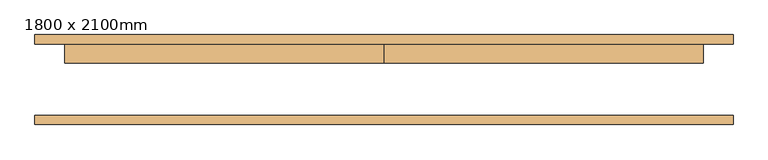
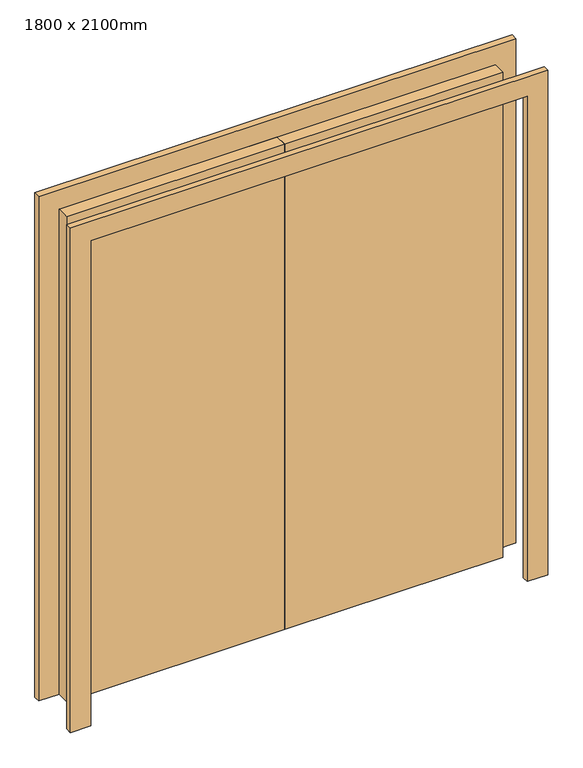
"""IFC4 building model written with IfcOpenShell, lengths in millimetres: door geometry, 1800 x 2100mm."""

from ifc_helpers import new_model, si_unit, frame, origin, origin_with_axes, place, context, project, spatial, polyline, outline, extrude, source, transform, mapped, element, save


def door_1800_x_2100mm_6389c248(model_context):
    return source(origin(), model_context, "Body", "SweptSolid", [
        extrude(outline(polyline([(2000.0, -850.0), (2000.0, 850.0), (0.0, 850.0), (0.0, 930.0), (2080.0, 930.0), (2080.0, -930.0), (0.0, -930.0), (0.0, -850.0), (2000.0, -850.0)])), frame((0.0, -120.0, 0.0), z_axis=(0.0, 1.0, 0.0), x_axis=(0.0, 0.0, 1.0)), (0.0, 0.0, 1.0), 25.0),
        extrude(outline(polyline([(2000.0, -850.0), (2000.0, 850.0), (0.0, 850.0), (0.0, 930.0), (2080.0, 930.0), (2080.0, -930.0), (0.0, -930.0), (0.0, -850.0), (2000.0, -850.0)])), frame((0.0, 95.0, 0.0), z_axis=(0.0, 1.0, 0.0), x_axis=(0.0, 0.0, 1.0)), (0.0, 0.0, 1.0), 25.0),
        extrude(outline(polyline([(0.0, 95.0), (850.0, 95.0), (850.0, 45.0), (0.0, 45.0), (0.0, 95.0)])), origin_with_axes(), (0.0, 0.0, 1.0), 2000.0),
        extrude(outline(polyline([(-850.0, 95.0), (0.0, 95.0), (0.0, 45.0), (-850.0, 45.0), (-850.0, 95.0)])), origin_with_axes(), (0.0, 0.0, 1.0), 2000.0),
    ])


if __name__ == "__main__":
    model = new_model("IFC4")
    model_context = context("Model", 3, world=origin())
    ifc_project = project(units=[si_unit("LENGTHUNIT", "METRE", prefix="MILLI")], contexts=[model_context])
    site = spatial("IfcSite", under=ifc_project)
    building = spatial("IfcBuilding", under=site)
    placement = place(None, origin())
    door_1800_x_2100mm_shape = door_1800_x_2100mm_6389c248(model_context)
    element("IfcDoor", 1, ObjectType="1800 x 2100mm", at=placement, inside=building, context=model_context, shape_type="MappedRepresentation", body=[
        mapped(door_1800_x_2100mm_shape, transform((0.0, 0.0, 0.0), x_axis=(1.0, 0.0, 0.0), y_axis=(0.0, 1.0, 0.0), z_axis=(0.0, 0.0, 1.0))),
    ])
    save(model, "model.ifc")
